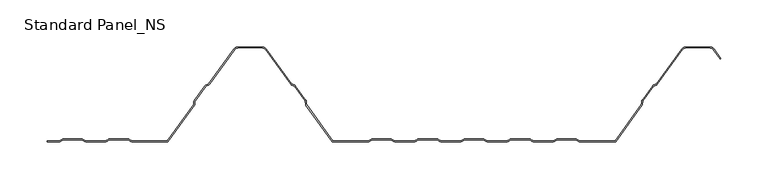
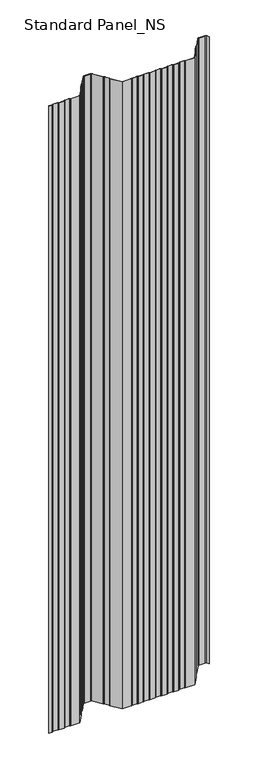
"""IFC4 building model written with IfcOpenShell, lengths in millimetres: proxy geometry, Standard Panel_NS."""

from ifc_helpers import new_model, si_unit, point, frame, frame_2d, origin, place, context, project, spatial, polyline, circle_curve, trimmed, segment, composite_curve, outline, extrude, source, transform, mapped, element, save


def standard_panel_ns_d6559bb6(model_context):
    return source(origin(), model_context, "Body", "SweptSolid", [
        extrude(outline(composite_curve([segment(polyline([(-332.6655441, 0.0), (-345.9999998, 0.0), (-345.9999998, 1.0), (-332.6655441, 1.0)]), True, "CONTINUOUS"), segment(trimmed(circle_curve(frame_2d((-332.6655441, 2.7486049)), 1.7486049), [point((-332.6655441, 1.0))], [point((-331.6955926, 1.2936777))], True, "CARTESIAN"), True, "CONTINUOUS"), segment(polyline([(-331.6955926, 1.2936777), (-329.8285502, 2.5383726)]), True, "CONTINUOUS"), segment(trimmed(circle_curve(frame_2d((-328.3038985, 0.2513951)), 2.7486049), [point((-329.8285502, 2.5383726))], [point((-328.3038985, 3.0))], False, "CARTESIAN"), True, "CONTINUOUS"), segment(polyline([(-328.3038985, 3.0), (-309.3627684, 3.0)]), True, "CONTINUOUS"), segment(trimmed(circle_curve(frame_2d((-309.3627684, 0.2513951)), 2.7486049), [point((-309.3627684, 3.0))], [point((-307.8381168, 2.5383726))], False, "CARTESIAN"), True, "CONTINUOUS"), segment(polyline([(-307.8381168, 2.5383726), (-305.9710744, 1.2936777)]), True, "CONTINUOUS"), segment(trimmed(circle_curve(frame_2d((-305.0011229, 2.7486049)), 1.7486049), [point((-305.9710744, 1.2936777))], [point((-305.0011229, 1.0))], True, "CARTESIAN"), True, "CONTINUOUS"), segment(polyline([(-305.0011229, 1.0), (-283.4988774, 1.0)]), True, "CONTINUOUS"), segment(trimmed(circle_curve(frame_2d((-283.4988774, 2.7486049)), 1.7486049), [point((-283.4988774, 1.0))], [point((-282.5289259, 1.2936777))], True, "CARTESIAN"), True, "CONTINUOUS"), segment(polyline([(-282.5289259, 1.2936777), (-280.6618835, 2.5383726)]), True, "CONTINUOUS"), segment(trimmed(circle_curve(frame_2d((-279.1372319, 0.2513951)), 2.7486049), [point((-280.6618835, 2.5383726))], [point((-279.1372319, 3.0))], False, "CARTESIAN"), True, "CONTINUOUS"), segment(polyline([(-279.1372319, 3.0), (-260.1961018, 3.0)]), True, "CONTINUOUS"), segment(trimmed(circle_curve(frame_2d((-260.1961018, 0.2513951)), 2.7486049), [point((-260.1961018, 3.0))], [point((-258.6714501, 2.5383726))], False, "CARTESIAN"), True, "CONTINUOUS"), segment(polyline([(-258.6714501, 2.5383726), (-256.8044077, 1.2936777)]), True, "CONTINUOUS"), segment(trimmed(circle_curve(frame_2d((-255.8344562, 2.7486049)), 1.7486049), [point((-256.8044077, 1.2936777))], [point((-255.8344562, 1.0))], True, "CARTESIAN"), True, "CONTINUOUS"), segment(polyline([(-255.8344562, 1.0), (-218.0101621, 1.0), (-190.1786697, 39.3882654)]), True, "CONTINUOUS"), segment(trimmed(circle_curve(frame_2d((-191.5943584, 40.4146398)), 1.7486049), [point((-190.1786697, 39.3882654))], [point((-189.8471041, 40.3459275))], True, "CARTESIAN"), True, "CONTINUOUS"), segment(polyline([(-189.8471041, 40.3459275), (-189.7589288, 42.5881001)]), True, "CONTINUOUS"), segment(trimmed(circle_curve(frame_2d((-187.0124468, 42.4800924)), 2.7486049), [point((-189.7589288, 42.5881001))], [point((-189.237746, 44.0934344))], False, "CARTESIAN"), True, "CONTINUOUS"), segment(polyline([(-189.237746, 44.0934344), (-178.1199169, 59.4283711)]), True, "CONTINUOUS"), segment(trimmed(circle_curve(frame_2d((-175.8946177, 57.8150291)), 2.7486049), [point((-178.1199169, 59.4283711))], [point((-176.8512575, 60.3917847))], False, "CARTESIAN"), True, "CONTINUOUS"), segment(polyline([(-176.8512575, 60.3917847), (-174.7476461, 61.1727662)]), True, "CONTINUOUS"), segment(trimmed(circle_curve(frame_2d((-175.3562403, 62.8120441)), 1.7486049), [point((-174.7476461, 61.1727662))], [point((-173.9405515, 61.7856697))], True, "CARTESIAN"), True, "CONTINUOUS"), segment(polyline([(-173.9405515, 61.7856697), (-147.3068531, 98.5218054)]), True, "CONTINUOUS"), segment(trimmed(circle_curve(frame_2d((-142.4491905, 95.0)), 6.0), [point((-147.3068531, 98.5218054))], [point((-142.4491905, 101.0))], False, "CARTESIAN"), True, "CONTINUOUS"), segment(polyline([(-142.4491905, 101.0), (-117.5508098, 101.0)]), True, "CONTINUOUS"), segment(trimmed(circle_curve(frame_2d((-117.5508098, 95.0)), 6.0), [point((-117.5508098, 101.0))], [point((-112.6931472, 98.5218054))], False, "CARTESIAN"), True, "CONTINUOUS"), segment(polyline([(-112.6931472, 98.5218054), (-86.0594488, 61.7856697)]), True, "CONTINUOUS"), segment(trimmed(circle_curve(frame_2d((-84.64376, 62.8120441)), 1.7486049), [point((-86.0594488, 61.7856697))], [point((-85.2523542, 61.1727662))], True, "CARTESIAN"), True, "CONTINUOUS"), segment(polyline([(-85.2523542, 61.1727662), (-83.1487428, 60.3917847)]), True, "CONTINUOUS"), segment(trimmed(circle_curve(frame_2d((-84.1053826, 57.8150291)), 2.7486049), [point((-83.1487428, 60.3917847))], [point((-81.8800834, 59.4283711))], False, "CARTESIAN"), True, "CONTINUOUS"), segment(polyline([(-81.8800834, 59.4283711), (-70.7622543, 44.0934344)]), True, "CONTINUOUS"), segment(trimmed(circle_curve(frame_2d((-72.9875535, 42.4800924)), 2.7486049), [point((-70.7622543, 44.0934344))], [point((-70.2410715, 42.5881001))], False, "CARTESIAN"), True, "CONTINUOUS"), segment(polyline([(-70.2410715, 42.5881001), (-70.1528962, 40.3459275)]), True, "CONTINUOUS"), segment(trimmed(circle_curve(frame_2d((-68.4056419, 40.4146398)), 1.7486049), [point((-70.1528962, 40.3459275))], [point((-69.8213306, 39.3882654))], True, "CARTESIAN"), True, "CONTINUOUS"), segment(polyline([(-69.8213306, 39.3882654), (-41.9898382, 1.0), (-4.1655441, 1.0)]), True, "CONTINUOUS"), segment(trimmed(circle_curve(frame_2d((-4.1655441, 2.7486049)), 1.7486049), [point((-4.1655441, 1.0))], [point((-3.1955926, 1.2936777))], True, "CARTESIAN"), True, "CONTINUOUS"), segment(polyline([(-3.1955926, 1.2936777), (-1.3285502, 2.5383726)]), True, "CONTINUOUS"), segment(trimmed(circle_curve(frame_2d((0.1961015, 0.2513951)), 2.7486049), [point((-1.3285502, 2.5383726))], [point((0.1961015, 3.0))], False, "CARTESIAN"), True, "CONTINUOUS"), segment(polyline([(0.1961015, 3.0), (19.1372316, 3.0)]), True, "CONTINUOUS"), segment(trimmed(circle_curve(frame_2d((19.1372316, 0.2513951)), 2.7486049), [point((19.1372316, 3.0))], [point((20.6618832, 2.5383726))], False, "CARTESIAN"), True, "CONTINUOUS"), segment(polyline([(20.6618832, 2.5383726), (22.5289256, 1.2936777)]), True, "CONTINUOUS"), segment(trimmed(circle_curve(frame_2d((23.4988771, 2.7486049)), 1.7486049), [point((22.5289256, 1.2936777))], [point((23.4988771, 1.0))], True, "CARTESIAN"), True, "CONTINUOUS"), segment(polyline([(23.4988771, 1.0), (45.0011226, 1.0)]), True, "CONTINUOUS"), segment(trimmed(circle_curve(frame_2d((45.0011226, 2.7486049)), 1.7486049), [point((45.0011226, 1.0))], [point((45.9710741, 1.2936777))], True, "CARTESIAN"), True, "CONTINUOUS"), segment(polyline([(45.9710741, 1.2936777), (47.8381165, 2.5383726)]), True, "CONTINUOUS"), segment(trimmed(circle_curve(frame_2d((49.3627681, 0.2513951)), 2.7486049), [point((47.8381165, 2.5383726))], [point((49.3627681, 3.0))], False, "CARTESIAN"), True, "CONTINUOUS"), segment(polyline([(49.3627681, 3.0), (68.3038982, 3.0)]), True, "CONTINUOUS"), segment(trimmed(circle_curve(frame_2d((68.3038982, 0.2513951)), 2.7486049), [point((68.3038982, 3.0))], [point((69.8285499, 2.5383726))], False, "CARTESIAN"), True, "CONTINUOUS"), segment(polyline([(69.8285499, 2.5383726), (71.6955923, 1.2936777)]), True, "CONTINUOUS"), segment(trimmed(circle_curve(frame_2d((72.6655438, 2.7486049)), 1.7486049), [point((71.6955923, 1.2936777))], [point((72.6655438, 1.0))], True, "CARTESIAN"), True, "CONTINUOUS"), segment(polyline([(72.6655438, 1.0), (94.1677892, 1.0)]), True, "CONTINUOUS"), segment(trimmed(circle_curve(frame_2d((94.1677892, 2.7486049)), 1.7486049), [point((94.1677892, 1.0))], [point((95.1377407, 1.2936777))], True, "CARTESIAN"), True, "CONTINUOUS"), segment(polyline([(95.1377407, 1.2936777), (97.0047831, 2.5383726)]), True, "CONTINUOUS"), segment(trimmed(circle_curve(frame_2d((98.5294348, 0.2513951)), 2.7486049), [point((97.0047831, 2.5383726))], [point((98.5294348, 3.0))], False, "CARTESIAN"), True, "CONTINUOUS"), segment(polyline([(98.5294348, 3.0), (117.4705649, 3.0)]), True, "CONTINUOUS"), segment(trimmed(circle_curve(frame_2d((117.4705649, 0.2513951)), 2.7486049), [point((117.4705649, 3.0))], [point((118.9952166, 2.5383726))], False, "CARTESIAN"), True, "CONTINUOUS"), segment(polyline([(118.9952166, 2.5383726), (120.862259, 1.2936777)]), True, "CONTINUOUS"), segment(trimmed(circle_curve(frame_2d((121.8322104, 2.7486049)), 1.7486049), [point((120.862259, 1.2936777))], [point((121.8322104, 1.0))], True, "CARTESIAN"), True, "CONTINUOUS"), segment(polyline([(121.8322104, 1.0), (143.3344559, 1.0)]), True, "CONTINUOUS"), segment(trimmed(circle_curve(frame_2d((143.3344559, 2.7486049)), 1.7486049), [point((143.3344559, 1.0))], [point((144.3044074, 1.2936777))], True, "CARTESIAN"), True, "CONTINUOUS"), segment(polyline([(144.3044074, 1.2936777), (146.1714498, 2.5383726)]), True, "CONTINUOUS"), segment(trimmed(circle_curve(frame_2d((147.6961015, 0.2513951)), 2.7486049), [point((146.1714498, 2.5383726))], [point((147.6961015, 3.0))], False, "CARTESIAN"), True, "CONTINUOUS"), segment(polyline([(147.6961015, 3.0), (166.6372316, 3.0)]), True, "CONTINUOUS"), segment(trimmed(circle_curve(frame_2d((166.6372316, 0.2513951)), 2.7486049), [point((166.6372316, 3.0))], [point((168.1618832, 2.5383726))], False, "CARTESIAN"), True, "CONTINUOUS"), segment(polyline([(168.1618832, 2.5383726), (170.0289256, 1.2936777)]), True, "CONTINUOUS"), segment(trimmed(circle_curve(frame_2d((170.9988771, 2.7486049)), 1.7486049), [point((170.0289256, 1.2936777))], [point((170.9988771, 1.0))], True, "CARTESIAN"), True, "CONTINUOUS"), segment(polyline([(170.9988771, 1.0), (192.5011226, 1.0)]), True, "CONTINUOUS"), segment(trimmed(circle_curve(frame_2d((192.5011226, 2.7486049)), 1.7486049), [point((192.5011226, 1.0))], [point((193.4710741, 1.2936777))], True, "CARTESIAN"), True, "CONTINUOUS"), segment(polyline([(193.4710741, 1.2936777), (195.3381165, 2.5383726)]), True, "CONTINUOUS"), segment(trimmed(circle_curve(frame_2d((196.8627681, 0.2513951)), 2.7486049), [point((195.3381165, 2.5383726))], [point((196.8627681, 3.0))], False, "CARTESIAN"), True, "CONTINUOUS"), segment(polyline([(196.8627681, 3.0), (215.8038982, 3.0)]), True, "CONTINUOUS"), segment(trimmed(circle_curve(frame_2d((215.8038982, 0.2513951)), 2.7486049), [point((215.8038982, 3.0))], [point((217.3285499, 2.5383726))], False, "CARTESIAN"), True, "CONTINUOUS"), segment(polyline([(217.3285499, 2.5383726), (219.1955923, 1.2936777)]), True, "CONTINUOUS"), segment(trimmed(circle_curve(frame_2d((220.1655438, 2.7486049)), 1.7486049), [point((219.1955923, 1.2936777))], [point((220.1655438, 1.0))], True, "CARTESIAN"), True, "CONTINUOUS"), segment(polyline([(220.1655438, 1.0), (257.9898379, 1.0), (285.8213303, 39.3882654)]), True, "CONTINUOUS"), segment(trimmed(circle_curve(frame_2d((284.4056416, 40.4146398)), 1.7486049), [point((285.8213303, 39.3882654))], [point((286.1528959, 40.3459275))], True, "CARTESIAN"), True, "CONTINUOUS"), segment(polyline([(286.1528959, 40.3459275), (286.2410712, 42.5881001)]), True, "CONTINUOUS"), segment(trimmed(circle_curve(frame_2d((288.9875532, 42.4800924)), 2.7486049), [point((286.2410712, 42.5881001))], [point((286.762254, 44.0934344))], False, "CARTESIAN"), True, "CONTINUOUS"), segment(polyline([(286.762254, 44.0934344), (297.8800831, 59.4283711)]), True, "CONTINUOUS"), segment(trimmed(circle_curve(frame_2d((300.1053823, 57.8150291)), 2.7486049), [point((297.8800831, 59.4283711))], [point((299.1487425, 60.3917847))], False, "CARTESIAN"), True, "CONTINUOUS"), segment(polyline([(299.1487425, 60.3917847), (301.2523539, 61.1727662)]), True, "CONTINUOUS"), segment(trimmed(circle_curve(frame_2d((300.6437597, 62.8120441)), 1.7486049), [point((301.2523539, 61.1727662))], [point((302.0594485, 61.7856697))], True, "CARTESIAN"), True, "CONTINUOUS"), segment(polyline([(302.0594485, 61.7856697), (328.6931469, 98.5218054)]), True, "CONTINUOUS"), segment(trimmed(circle_curve(frame_2d((333.5508095, 95.0)), 6.0), [point((328.6931469, 98.5218054))], [point((333.5508095, 101.0))], False, "CARTESIAN"), True, "CONTINUOUS"), segment(polyline([(333.5508095, 101.0), (358.4491902, 101.0)]), True, "CONTINUOUS"), segment(trimmed(circle_curve(frame_2d((358.4491902, 95.0)), 6.0), [point((358.4491902, 101.0))], [point((363.3068528, 98.5218054))], False, "CARTESIAN"), True, "CONTINUOUS"), segment(polyline([(363.3068528, 98.5218054), (370.6141239, 88.4428109), (369.8045134, 87.8558433), (362.4972424, 97.9348379)]), True, "CONTINUOUS"), segment(trimmed(circle_curve(frame_2d((358.4491902, 95.0)), 5.0), [point((362.4972424, 97.9348379))], [point((358.4491902, 100.0))], True, "CARTESIAN"), True, "CONTINUOUS"), segment(polyline([(358.4491902, 100.0), (333.5508095, 100.0)]), True, "CONTINUOUS"), segment(trimmed(circle_curve(frame_2d((333.5508095, 95.0)), 5.0), [point((333.5508095, 100.0))], [point((329.5027573, 97.9348379))], True, "CARTESIAN"), True, "CONTINUOUS"), segment(polyline([(329.5027573, 97.9348379), (302.8690589, 61.1987022)]), True, "CONTINUOUS"), segment(trimmed(circle_curve(frame_2d((300.6437597, 62.8120441)), 2.7486049), [point((302.8690589, 61.1987022))], [point((301.6003995, 60.2352885))], False, "CARTESIAN"), True, "CONTINUOUS"), segment(polyline([(301.6003995, 60.2352885), (299.4967881, 59.4543071)]), True, "CONTINUOUS"), segment(trimmed(circle_curve(frame_2d((300.1053823, 57.8150291)), 1.7486049), [point((299.4967881, 59.4543071))], [point((298.6896935, 58.8414035))], True, "CARTESIAN"), True, "CONTINUOUS"), segment(polyline([(298.6896935, 58.8414035), (287.5718644, 43.5064668)]), True, "CONTINUOUS"), segment(trimmed(circle_curve(frame_2d((288.9875532, 42.4800924)), 1.7486049), [point((287.5718644, 43.5064668))], [point((287.2402989, 42.5488047))], True, "CARTESIAN"), True, "CONTINUOUS"), segment(polyline([(287.2402989, 42.5488047), (287.1521235, 40.3066321)]), True, "CONTINUOUS"), segment(trimmed(circle_curve(frame_2d((284.4056416, 40.4146398)), 2.7486049), [point((287.1521235, 40.3066321))], [point((286.6309408, 38.8012978))], False, "CARTESIAN"), True, "CONTINUOUS"), segment(polyline([(286.6309408, 38.8012978), (258.4999998, 0.0), (220.1655438, 0.0)]), True, "CONTINUOUS"), segment(trimmed(circle_curve(frame_2d((220.1655438, 2.7486049)), 2.7486049), [point((220.1655438, 0.0))], [point((218.6408921, 0.4616274))], False, "CARTESIAN"), True, "CONTINUOUS"), segment(polyline([(218.6408921, 0.4616274), (216.7738497, 1.7063223)]), True, "CONTINUOUS"), segment(trimmed(circle_curve(frame_2d((215.8038982, 0.2513951)), 1.7486049), [point((216.7738497, 1.7063223))], [point((215.8038982, 2.0))], True, "CARTESIAN"), True, "CONTINUOUS"), segment(polyline([(215.8038982, 2.0), (196.8627681, 2.0)]), True, "CONTINUOUS"), segment(trimmed(circle_curve(frame_2d((196.8627681, 0.2513951)), 1.7486049), [point((196.8627681, 2.0))], [point((195.8928167, 1.7063223))], True, "CARTESIAN"), True, "CONTINUOUS"), segment(polyline([(195.8928167, 1.7063223), (194.0257743, 0.4616274)]), True, "CONTINUOUS"), segment(trimmed(circle_curve(frame_2d((192.5011226, 2.7486049)), 2.7486049), [point((194.0257743, 0.4616274))], [point((192.5011226, 0.0))], False, "CARTESIAN"), True, "CONTINUOUS"), segment(polyline([(192.5011226, 0.0), (170.9988771, 0.0)]), True, "CONTINUOUS"), segment(trimmed(circle_curve(frame_2d((170.9988771, 2.7486049)), 2.7486049), [point((170.9988771, 0.0))], [point((169.4742254, 0.4616274))], False, "CARTESIAN"), True, "CONTINUOUS"), segment(polyline([(169.4742254, 0.4616274), (167.607183, 1.7063223)]), True, "CONTINUOUS"), segment(trimmed(circle_curve(frame_2d((166.6372316, 0.2513951)), 1.7486049), [point((167.607183, 1.7063223))], [point((166.6372316, 2.0))], True, "CARTESIAN"), True, "CONTINUOUS"), segment(polyline([(166.6372316, 2.0), (147.6961015, 2.0)]), True, "CONTINUOUS"), segment(trimmed(circle_curve(frame_2d((147.6961015, 0.2513951)), 1.7486049), [point((147.6961015, 2.0))], [point((146.72615, 1.7063223))], True, "CARTESIAN"), True, "CONTINUOUS"), segment(polyline([(146.72615, 1.7063223), (144.8591076, 0.4616274)]), True, "CONTINUOUS"), segment(trimmed(circle_curve(frame_2d((143.3344559, 2.7486049)), 2.7486049), [point((144.8591076, 0.4616274))], [point((143.3344559, 0.0))], False, "CARTESIAN"), True, "CONTINUOUS"), segment(polyline([(143.3344559, 0.0), (121.8322104, 0.0)]), True, "CONTINUOUS"), segment(trimmed(circle_curve(frame_2d((121.8322104, 2.7486049)), 2.7486049), [point((121.8322104, 0.0))], [point((120.3075588, 0.4616274))], False, "CARTESIAN"), True, "CONTINUOUS"), segment(polyline([(120.3075588, 0.4616274), (118.4405164, 1.7063223)]), True, "CONTINUOUS"), segment(trimmed(circle_curve(frame_2d((117.4705649, 0.2513951)), 1.7486049), [point((118.4405164, 1.7063223))], [point((117.4705649, 2.0))], True, "CARTESIAN"), True, "CONTINUOUS"), segment(polyline([(117.4705649, 2.0), (98.5294348, 2.0)]), True, "CONTINUOUS"), segment(trimmed(circle_curve(frame_2d((98.5294348, 0.2513951)), 1.7486049), [point((98.5294348, 2.0))], [point((97.5594833, 1.7063223))], True, "CARTESIAN"), True, "CONTINUOUS"), segment(polyline([(97.5594833, 1.7063223), (95.6924409, 0.4616274)]), True, "CONTINUOUS"), segment(trimmed(circle_curve(frame_2d((94.1677892, 2.7486049)), 2.7486049), [point((95.6924409, 0.4616274))], [point((94.1677892, 0.0))], False, "CARTESIAN"), True, "CONTINUOUS"), segment(polyline([(94.1677892, 0.0), (72.6655438, 0.0)]), True, "CONTINUOUS"), segment(trimmed(circle_curve(frame_2d((72.6655438, 2.7486049)), 2.7486049), [point((72.6655438, 0.0))], [point((71.1408921, 0.4616274))], False, "CARTESIAN"), True, "CONTINUOUS"), segment(polyline([(71.1408921, 0.4616274), (69.2738497, 1.7063223)]), True, "CONTINUOUS"), segment(trimmed(circle_curve(frame_2d((68.3038982, 0.2513951)), 1.7486049), [point((69.2738497, 1.7063223))], [point((68.3038982, 2.0))], True, "CARTESIAN"), True, "CONTINUOUS"), segment(polyline([(68.3038982, 2.0), (49.3627681, 2.0)]), True, "CONTINUOUS"), segment(trimmed(circle_curve(frame_2d((49.3627681, 0.2513951)), 1.7486049), [point((49.3627681, 2.0))], [point((48.3928167, 1.7063223))], True, "CARTESIAN"), True, "CONTINUOUS"), segment(polyline([(48.3928167, 1.7063223), (46.5257743, 0.4616274)]), True, "CONTINUOUS"), segment(trimmed(circle_curve(frame_2d((45.0011226, 2.7486049)), 2.7486049), [point((46.5257743, 0.4616274))], [point((45.0011226, 0.0))], False, "CARTESIAN"), True, "CONTINUOUS"), segment(polyline([(45.0011226, 0.0), (23.4988771, 0.0)]), True, "CONTINUOUS"), segment(trimmed(circle_curve(frame_2d((23.4988771, 2.7486049)), 2.7486049), [point((23.4988771, 0.0))], [point((21.9742254, 0.4616274))], False, "CARTESIAN"), True, "CONTINUOUS"), segment(polyline([(21.9742254, 0.4616274), (20.107183, 1.7063223)]), True, "CONTINUOUS"), segment(trimmed(circle_curve(frame_2d((19.1372316, 0.2513951)), 1.7486049), [point((20.107183, 1.7063223))], [point((19.1372316, 2.0))], True, "CARTESIAN"), True, "CONTINUOUS"), segment(polyline([(19.1372316, 2.0), (0.1961015, 2.0)]), True, "CONTINUOUS"), segment(trimmed(circle_curve(frame_2d((0.1961015, 0.2513951)), 1.7486049), [point((0.1961015, 2.0))], [point((-0.77385, 1.7063223))], True, "CARTESIAN"), True, "CONTINUOUS"), segment(polyline([(-0.77385, 1.7063223), (-2.6408924, 0.4616274)]), True, "CONTINUOUS"), segment(trimmed(circle_curve(frame_2d((-4.1655441, 2.7486049)), 2.7486049), [point((-2.6408924, 0.4616274))], [point((-4.1655441, 0.0))], False, "CARTESIAN"), True, "CONTINUOUS"), segment(polyline([(-4.1655441, 0.0), (-42.5000002, 0.0), (-70.6309411, 38.8012978)]), True, "CONTINUOUS"), segment(trimmed(circle_curve(frame_2d((-68.4056419, 40.4146398)), 2.7486049), [point((-70.6309411, 38.8012978))], [point((-71.1521238, 40.3066321))], False, "CARTESIAN"), True, "CONTINUOUS"), segment(polyline([(-71.1521238, 40.3066321), (-71.2402992, 42.5488047)]), True, "CONTINUOUS"), segment(trimmed(circle_curve(frame_2d((-72.9875535, 42.4800924)), 1.7486049), [point((-71.2402992, 42.5488047))], [point((-71.5718647, 43.5064668))], True, "CARTESIAN"), True, "CONTINUOUS"), segment(polyline([(-71.5718647, 43.5064668), (-82.6896938, 58.8414035)]), True, "CONTINUOUS"), segment(trimmed(circle_curve(frame_2d((-84.1053826, 57.8150291)), 1.7486049), [point((-82.6896938, 58.8414035))], [point((-83.4967884, 59.4543071))], True, "CARTESIAN"), True, "CONTINUOUS"), segment(polyline([(-83.4967884, 59.4543071), (-85.6003998, 60.2352885)]), True, "CONTINUOUS"), segment(trimmed(circle_curve(frame_2d((-84.64376, 62.8120441)), 2.7486049), [point((-85.6003998, 60.2352885))], [point((-86.8690592, 61.1987022))], False, "CARTESIAN"), True, "CONTINUOUS"), segment(polyline([(-86.8690592, 61.1987022), (-113.5027576, 97.9348379)]), True, "CONTINUOUS"), segment(trimmed(circle_curve(frame_2d((-117.5508098, 95.0)), 5.0), [point((-113.5027576, 97.9348379))], [point((-117.5508098, 100.0))], True, "CARTESIAN"), True, "CONTINUOUS"), segment(polyline([(-117.5508098, 100.0), (-142.4491905, 100.0)]), True, "CONTINUOUS"), segment(trimmed(circle_curve(frame_2d((-142.4491905, 95.0)), 5.0), [point((-142.4491905, 100.0))], [point((-146.4972427, 97.9348379))], True, "CARTESIAN"), True, "CONTINUOUS"), segment(polyline([(-146.4972427, 97.9348379), (-173.1309411, 61.1987022)]), True, "CONTINUOUS"), segment(trimmed(circle_curve(frame_2d((-175.3562403, 62.8120441)), 2.7486049), [point((-173.1309411, 61.1987022))], [point((-174.3996005, 60.2352885))], False, "CARTESIAN"), True, "CONTINUOUS"), segment(polyline([(-174.3996005, 60.2352885), (-176.5032119, 59.4543071)]), True, "CONTINUOUS"), segment(trimmed(circle_curve(frame_2d((-175.8946177, 57.8150291)), 1.7486049), [point((-176.5032119, 59.4543071))], [point((-177.3103065, 58.8414035))], True, "CARTESIAN"), True, "CONTINUOUS"), segment(polyline([(-177.3103065, 58.8414035), (-188.4281356, 43.5064668)]), True, "CONTINUOUS"), segment(trimmed(circle_curve(frame_2d((-187.0124468, 42.4800924)), 1.7486049), [point((-188.4281356, 43.5064668))], [point((-188.7597011, 42.5488047))], True, "CARTESIAN"), True, "CONTINUOUS"), segment(polyline([(-188.7597011, 42.5488047), (-188.8478765, 40.3066321)]), True, "CONTINUOUS"), segment(trimmed(circle_curve(frame_2d((-191.5943584, 40.4146398)), 2.7486049), [point((-188.8478765, 40.3066321))], [point((-189.3690592, 38.8012978))], False, "CARTESIAN"), True, "CONTINUOUS"), segment(polyline([(-189.3690592, 38.8012978), (-217.5000002, 0.0), (-255.8344562, 0.0)]), True, "CONTINUOUS"), segment(trimmed(circle_curve(frame_2d((-255.8344562, 2.7486049)), 2.7486049), [point((-255.8344562, 0.0))], [point((-257.3591079, 0.4616274))], False, "CARTESIAN"), True, "CONTINUOUS"), segment(polyline([(-257.3591079, 0.4616274), (-259.2261503, 1.7063223)]), True, "CONTINUOUS"), segment(trimmed(circle_curve(frame_2d((-260.1961018, 0.2513951)), 1.7486049), [point((-259.2261503, 1.7063223))], [point((-260.1961018, 2.0))], True, "CARTESIAN"), True, "CONTINUOUS"), segment(polyline([(-260.1961018, 2.0), (-279.1372319, 2.0)]), True, "CONTINUOUS"), segment(trimmed(circle_curve(frame_2d((-279.1372319, 0.2513951)), 1.7486049), [point((-279.1372319, 2.0))], [point((-280.1071833, 1.7063223))], True, "CARTESIAN"), True, "CONTINUOUS"), segment(polyline([(-280.1071833, 1.7063223), (-281.9742257, 0.4616274)]), True, "CONTINUOUS"), segment(trimmed(circle_curve(frame_2d((-283.4988774, 2.7486049)), 2.7486049), [point((-281.9742257, 0.4616274))], [point((-283.4988774, 0.0))], False, "CARTESIAN"), True, "CONTINUOUS"), segment(polyline([(-283.4988774, 0.0), (-305.0011229, 0.0)]), True, "CONTINUOUS"), segment(trimmed(circle_curve(frame_2d((-305.0011229, 2.7486049)), 2.7486049), [point((-305.0011229, 0.0))], [point((-306.5257746, 0.4616274))], False, "CARTESIAN"), True, "CONTINUOUS"), segment(polyline([(-306.5257746, 0.4616274), (-308.392817, 1.7063223)]), True, "CONTINUOUS"), segment(trimmed(circle_curve(frame_2d((-309.3627684, 0.2513951)), 1.7486049), [point((-308.392817, 1.7063223))], [point((-309.3627684, 2.0))], True, "CARTESIAN"), True, "CONTINUOUS"), segment(polyline([(-309.3627684, 2.0), (-328.3038985, 2.0)]), True, "CONTINUOUS"), segment(trimmed(circle_curve(frame_2d((-328.3038985, 0.2513951)), 1.7486049), [point((-328.3038985, 2.0))], [point((-329.27385, 1.7063223))], True, "CARTESIAN"), True, "CONTINUOUS"), segment(polyline([(-329.27385, 1.7063223), (-331.1408924, 0.4616274)]), True, "CONTINUOUS"), segment(trimmed(circle_curve(frame_2d((-332.6655441, 2.7486049)), 2.7486049), [point((-331.1408924, 0.4616274))], [point((-332.6655441, 0.0))], False, "CARTESIAN"), True, "CONTINUOUS")], self_intersect=False)), frame((0.0, 0.0, -250.0), z_axis=(0.0, 0.0, 1.0), x_axis=(1.0, 0.0, 0.0)), (0.0, 0.0, 1.0), 2750.0),
    ])


if __name__ == "__main__":
    model = new_model("IFC4")
    model_context = context("Model", 3, world=origin())
    ifc_project = project(units=[si_unit("LENGTHUNIT", "METRE", prefix="MILLI")], contexts=[model_context])
    site = spatial("IfcSite", under=ifc_project)
    building = spatial("IfcBuilding", under=site)
    placement = place(None, origin())
    standard_panel_ns_shape = standard_panel_ns_d6559bb6(model_context)
    element("IfcBuildingElementProxy", 1, Name="Standard Panel_NS", ObjectType="Standard Panel_NS", at=placement, inside=building, context=model_context, shape_type="MappedRepresentation", body=[
        mapped(standard_panel_ns_shape, transform((0.0, 0.0, 0.0), x_axis=(1.0, 0.0, 0.0), y_axis=(0.0, 1.0, 0.0), z_axis=(0.0, 0.0, 1.0))),
    ])
    save(model, "model.ifc")
